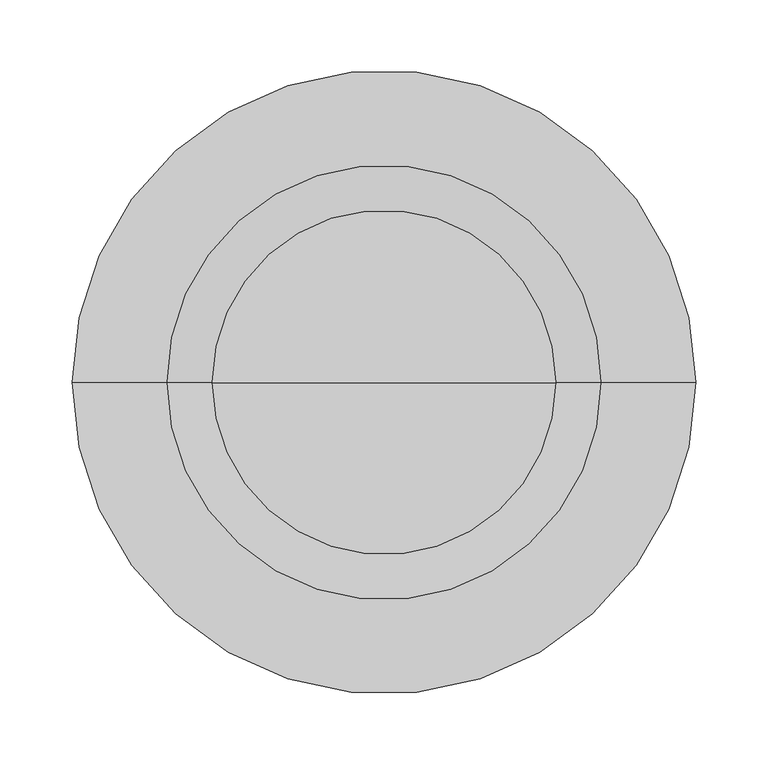
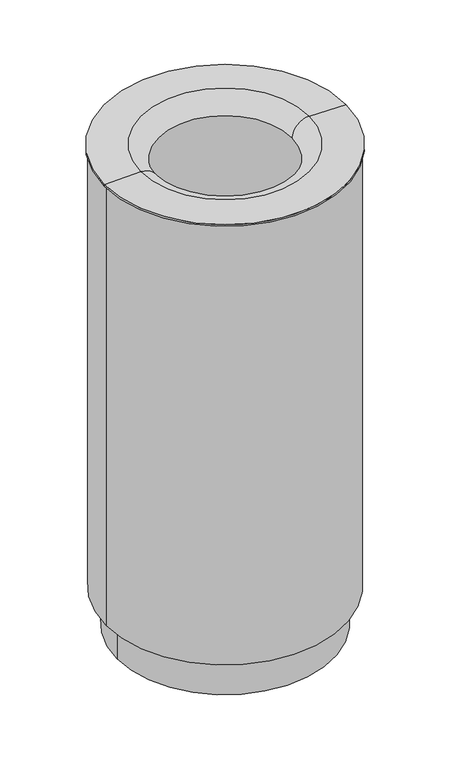
"""IFC4 building model written with IfcOpenShell, lengths in millimetres: furniture geometry."""

from ifc_helpers import new_model, si_unit, point, frame, origin, place, context, project, spatial, polyline, circle_curve, ellipse_curve, trimmed, source, transform, mapped, element, save
from ifc_brep_helpers import plane_surface, cylinder_surface, revolved_surface, advanced_brep


def furniture_78541998(model_context):
    return source(origin(), model_context, "Body", "AdvancedBrep", [
        advanced_brep(
        [(-208.8817565, 0.0, 73.0834801), (208.8817565, 0.0, 73.0834801), (208.8817565, 0.0, 871.1286044), (-208.8817565, 0.0, 871.1286044), (0.0, 0.0, 73.0834801), (-191.9730709, 0.0, 0.0), (191.9730709, 0.0, 0.0), (0.0, 0.0, 0.0), (-191.9730709, 0.0, 69.9883402), (191.9730709, 0.0, 69.9883402), (-211.9122293, 0.0, 69.9883402), (211.9122293, 0.0, 69.9883402), (-211.9122293, 0.0, 896.9864227), (211.9122293, 0.0, 896.9864227), (-215.0436688, 0.0, 896.9864227), (215.0436688, 0.0, 896.9864227), (-215.0436688, 0.0, 899.9570817), (215.0436688, 0.0, 899.9570817), (-150.0535686, 0.0, 901.0914882), (150.0535686, 0.0, 901.0914882), (-118.8817565, 0.0, 871.1286044), (118.8817565, 0.0, 871.1286044)],
        [
            (0, 1, circle_curve(frame((0.0, 0.0, 73.0834801), z_axis=(0.0, 0.0, -1.0), x_axis=(1.0, 0.0, 0.0)), 208.8817565)),
            (1, 2),
            (2, 3, circle_curve(frame((0.0, 0.0, 871.1286044), z_axis=(0.0, 0.0, 1.0), x_axis=(1.0, 0.0, 0.0)), 208.8817565)),
            (3, 0),
            (1, 0, circle_curve(frame((0.0, 0.0, 73.0834801), z_axis=(0.0, 0.0, -1.0), x_axis=(1.0, 0.0, 0.0)), 208.8817565)),
            (3, 2, circle_curve(frame((0.0, 0.0, 871.1286044), z_axis=(0.0, 0.0, 1.0), x_axis=(1.0, 0.0, 0.0)), 208.8817565)),
            (4, 1),
            (0, 4),
            (5, 6, circle_curve(frame((0.0, 0.0, 0.0), z_axis=(0.0, 0.0, -1.0), x_axis=(1.0, 0.0, 0.0)), 191.9730709)),
            (6, 7),
            (7, 5),
            (6, 5, circle_curve(frame((0.0, 0.0, 0.0), z_axis=(0.0, 0.0, -1.0), x_axis=(1.0, 0.0, 0.0)), 191.9730709)),
            (8, 9, circle_curve(frame((0.0, 0.0, 69.9883402), z_axis=(0.0, 0.0, -1.0), x_axis=(1.0, 0.0, 0.0)), 191.9730709)),
            (9, 6),
            (5, 8),
            (9, 8, circle_curve(frame((0.0, 0.0, 69.9883402), z_axis=(0.0, 0.0, -1.0), x_axis=(1.0, 0.0, 0.0)), 191.9730709)),
            (10, 11, circle_curve(frame((0.0, 0.0, 69.9883402), z_axis=(0.0, 0.0, -1.0), x_axis=(1.0, 0.0, 0.0)), 211.9122293)),
            (11, 9),
            (8, 10),
            (11, 10, circle_curve(frame((0.0, 0.0, 69.9883402), z_axis=(0.0, 0.0, -1.0), x_axis=(1.0, 0.0, 0.0)), 211.9122293)),
            (12, 13, circle_curve(frame((0.0, 0.0, 896.9864227), z_axis=(0.0, 0.0, -1.0), x_axis=(1.0, 0.0, 0.0)), 211.9122293)),
            (13, 11),
            (10, 12),
            (13, 12, circle_curve(frame((0.0, 0.0, 896.9864227), z_axis=(0.0, 0.0, -1.0), x_axis=(1.0, 0.0, 0.0)), 211.9122293)),
            (14, 15, circle_curve(frame((0.0, 0.0, 896.9864227), z_axis=(0.0, 0.0, -1.0), x_axis=(1.0, 0.0, 0.0)), 215.0436688)),
            (15, 13),
            (12, 14),
            (15, 14, circle_curve(frame((0.0, 0.0, 896.9864227), z_axis=(0.0, 0.0, -1.0), x_axis=(1.0, 0.0, 0.0)), 215.0436688)),
            (16, 17, circle_curve(frame((0.0, 0.0, 899.9570817), z_axis=(0.0, 0.0, -1.0), x_axis=(1.0, 0.0, 0.0)), 215.0436688)),
            (17, 15),
            (14, 16),
            (17, 16, circle_curve(frame((0.0, 0.0, 899.9570817), z_axis=(0.0, 0.0, -1.0), x_axis=(1.0, 0.0, 0.0)), 215.0436688)),
            (18, 19, circle_curve(frame((0.0, 0.0, 901.0914882), z_axis=(0.0, 0.0, -1.0), x_axis=(1.0, 0.0, 0.0)), 150.0535686)),
            (19, 17),
            (16, 18),
            (19, 18, circle_curve(frame((0.0, 0.0, 901.0914882), z_axis=(0.0, 0.0, -1.0), x_axis=(1.0, 0.0, 0.0)), 150.0535686)),
            (20, 21, circle_curve(frame((0.0, 0.0, 871.1286044), z_axis=(0.0, 0.0, -1.0), x_axis=(1.0, 0.0, 0.0)), 118.8817565)),
            (21, 19, circle_curve(frame((149.5187489, 0.0, 870.4516858), z_axis=(0.0, 1.0, 0.0), x_axis=(1.0, 0.0, 0.0)), 30.6444696)),
            (18, 20, circle_curve(frame((-149.5187489, 0.0, 870.4516858), z_axis=(0.0, 1.0, 0.0), x_axis=(-1.0, 0.0, 0.0)), 30.6444696)),
            (21, 20, circle_curve(frame((0.0, 0.0, 871.1286044), z_axis=(0.0, 0.0, -1.0), x_axis=(1.0, 0.0, 0.0)), 118.8817565)),
            (2, 21),
            (20, 3),
        ],
        [
            revolved_surface(polyline([(208.8817565, 0.0, 871.1286043999999), (208.8817565, 0.0, 73.08348010000009)]), (0.0, 0.0, 2150.5545468), (0.0, 0.0, 1.0)),
            plane_surface(frame((0.0, 0.0, 73.0834801), z_axis=(0.0, 0.0, 1.0), x_axis=(1.0, 0.0, 0.0))),
            plane_surface(frame((0.0, 0.0, 0.0), z_axis=(0.0, 0.0, -1.0), x_axis=(1.0, 0.0, 0.0))),
            cylinder_surface(frame((0.0, 0.0, 2150.5545468), z_axis=(0.0, 0.0, 1.0), x_axis=(1.0, 0.0, 0.0)), 191.9730709),
            plane_surface(frame((0.0, 0.0, 69.9883402), z_axis=(0.0, 0.0, -1.0), x_axis=(1.0, 0.0, 0.0))),
            cylinder_surface(frame((0.0, 0.0, 2150.5545468), z_axis=(0.0, 0.0, 1.0), x_axis=(1.0, 0.0, 0.0)), 211.9122293),
            plane_surface(frame((0.0, 0.0, 896.9864227), z_axis=(0.0, 0.0, -1.0), x_axis=(1.0, 0.0, 0.0))),
            cylinder_surface(frame((0.0, 0.0, 2150.5545468), z_axis=(0.0, 0.0, 1.0), x_axis=(1.0, 0.0, 0.0)), 215.0436688),
            revolved_surface(polyline([(215.0436688, 0.0, 899.9570817), (150.0535686, 0.0, 901.0914882)]), (0.0, 0.0, 2150.5545468), (0.0, 0.0, 1.0)),
            revolved_surface(trimmed(ellipse_curve(frame((149.5187489, 0.0, 870.4516858), z_axis=(0.0, -1.0, 0.0), x_axis=(1.0, 0.0, 0.0)), 30.6444696, 30.6444696), [point((150.0535686, 0.0, 901.0914882))], [point((118.8817565, 0.0, 871.1286044))], True, "CARTESIAN"), (0.0, 0.0, 2150.5545468), (0.0, 0.0, 1.0)),
            plane_surface(frame((0.0, 0.0, 871.1286044), z_axis=(0.0, 0.0, -1.0), x_axis=(1.0, 0.0, 0.0))),
        ],
        [
            (0, [[1, 2, 3, 4]]),
            (0, [[5, -4, 6, -2]]),
            (1, [[7, -1, 8]]),
            (1, [[-8, -5, -7]]),
            (2, [[9, 10, 11]]),
            (2, [[12, -11, -10]]),
            (3, [[13, 14, -9, 15]]),
            (3, [[16, -15, -12, -14]]),
            (4, [[17, 18, -13, 19]]),
            (4, [[20, -19, -16, -18]]),
            (5, [[21, 22, -17, 23]]),
            (5, [[24, -23, -20, -22]]),
            (6, [[25, 26, -21, 27]]),
            (6, [[28, -27, -24, -26]]),
            (7, [[29, 30, -25, 31]]),
            (7, [[32, -31, -28, -30]]),
            (8, [[33, 34, -29, 35]]),
            (8, [[36, -35, -32, -34]]),
            (9, [[37, 38, -33, 39]]),
            (9, [[40, -39, -36, -38]]),
            (10, [[-3, 41, -37, 42]]),
            (10, [[-6, -42, -40, -41]]),
        ],
    ),
    ])


if __name__ == "__main__":
    model = new_model("IFC4")
    model_context = context("Model", 3, world=origin())
    ifc_project = project(units=[si_unit("LENGTHUNIT", "METRE", prefix="MILLI")], contexts=[model_context])
    site = spatial("IfcSite", under=ifc_project)
    building = spatial("IfcBuilding", under=site)
    placement = place(None, origin())
    furniture_shape = furniture_78541998(model_context)
    element("IfcFurniture", 1, at=placement, inside=building, context=model_context, shape_type="MappedRepresentation", body=[
        mapped(furniture_shape, transform((0.0, 0.0, 0.0), x_axis=(1.0, 0.0, 0.0), y_axis=(0.0, 1.0, 0.0), z_axis=(0.0, 0.0, 1.0))),
    ])
    save(model, "model.ifc")
